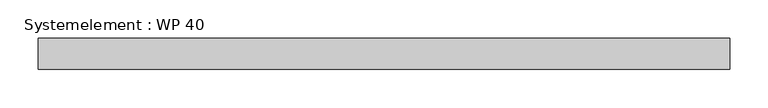
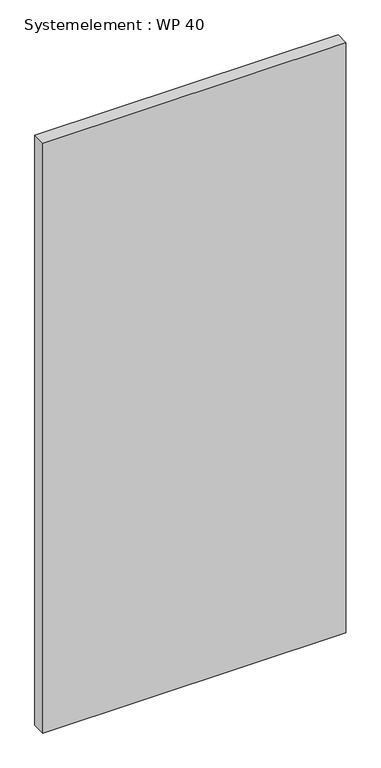
"""IFC4 building model written with IfcOpenShell, lengths in millimetres: plate geometry, Systemelement : WP 40."""

from ifc_helpers import new_model, si_unit, origin, origin_with_axes, place, context, project, spatial, polyline, outline, extrude, source, transform, mapped, element, save


def systemelement_wp_40_ea4ae597(model_context):
    return source(origin(), model_context, "Body", "SweptSolid", [
        extrude(outline(polyline([(450.0, -40.0), (-450.0, -40.0), (-450.0, 0.0), (450.0, 0.0), (450.0, -40.0)])), origin_with_axes(), (0.0, 0.0, 1.0), 1851.6147161),
    ])


if __name__ == "__main__":
    model = new_model("IFC4")
    model_context = context("Model", 3, world=origin())
    ifc_project = project(units=[si_unit("LENGTHUNIT", "METRE", prefix="MILLI")], contexts=[model_context])
    site = spatial("IfcSite", under=ifc_project)
    building = spatial("IfcBuilding", under=site)
    placement = place(None, origin())
    systemelement_wp_40_shape = systemelement_wp_40_ea4ae597(model_context)
    element("IfcPlate", 1, ObjectType="Systemelement : WP 40", at=placement, inside=building, context=model_context, shape_type="MappedRepresentation", body=[
        mapped(systemelement_wp_40_shape, transform((0.0, 0.0, 0.0), x_axis=(1.0, 0.0, 0.0), y_axis=(0.0, 1.0, 0.0), z_axis=(0.0, 0.0, 1.0))),
    ])
    save(model, "model.ifc")
